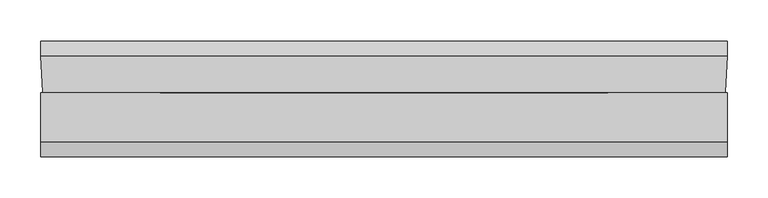
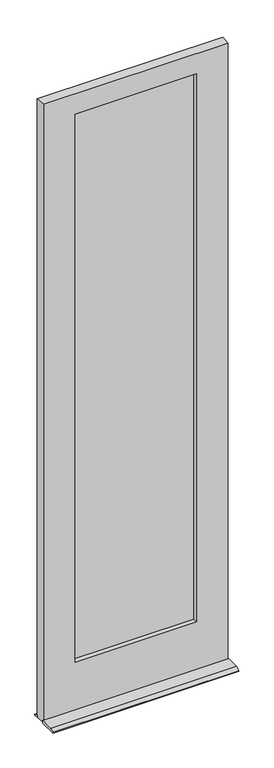
"""IFC4 building model written with IfcOpenShell, lengths in millimetres: plate geometry."""

from ifc_helpers import new_model, si_unit, frame, origin, place, context, project, spatial, polyline, outline, extrude, faceted_brep, source, transform, mapped, element, save


def plate_15e0d0ad(model_context):
    return source(origin(), model_context, "Body", "SolidModel", [
        extrude(outline(polyline([(-290.4940057, -16.3742688), (-290.4940057, -13.1992688), (290.5124637, -13.1992688), (290.5124637, -16.3742688), (-290.4940057, -16.3742688)])), frame((0.0, 0.0, 226.615625), z_axis=(0.0, 0.0, 1.0), x_axis=(1.0, 0.0, 0.0)), (0.0, 0.0, 1.0), 2663.428125),
        extrude(outline(polyline([(-290.4940057, -20.9383312), (290.5124637, -20.9383312), (290.5124637, -24.1133312), (-290.4940057, -24.1133312), (-290.4940057, -20.9383312)])), frame((0.0, 0.0, 226.615625), z_axis=(0.0, 0.0, 1.0), x_axis=(1.0, 0.0, 0.0)), (0.0, 0.0, 1.0), 2663.428125),
        faceted_brep([(423.0687863, -46.037564, 12.7), (423.0687863, -106.3618913, 12.7), (423.0687863, -125.4125, 3.1746956), (423.0687863, -125.4125, 0.0003044), (423.0687863, -46.037564, 0.0003044), (423.0687863, 17.4625, 0.0003044), (423.0687863, 17.4625, 3.1746956), (423.0687863, -1.587564, 12.6997276), (423.0687863, -1.587564, 0.0003044), (-423.0452447, -1.587564, 12.6997276), (-423.0452447, 17.4625, 3.1746956), (-423.0452447, 17.4625, 0.0003044), (-423.0452447, -1.587564, 0.0003044), (-423.0452447, -125.4125, 0.0003044), (-423.0452447, -125.4125, 3.1746956), (-423.0452447, -106.3618913, 12.7), (-423.0452447, -46.037564, 12.7), (-423.0452447, -46.037564, 0.0003044), (290.5124637, -24.1133312, 226.615625), (290.5124637, -13.1992688, 226.615625), (-290.4940057, -13.1992688, 226.615625), (-290.4940057, -24.1133312, 226.615625), (290.5124637, -24.1133313, 2890.04375), (-290.4940057, -24.1133313, 2890.04375), (275.4443125, -24.1133312, 241.2869956), (275.4443125, -24.1133313, 2874.9752), (-275.4185057, -24.1133313, 2874.9752), (-275.4185057, -24.1133312, 241.2869956), (275.4443125, -46.037564, 241.2869956), (-275.4185057, -46.037564, 241.2869956), (420.3001863, -46.037564, 12.7), (420.3001863, -46.037564, 2972.59375), (-420.2766447, -46.037564, 2972.59375), (-420.2766447, -46.037564, 12.7), (275.4443125, -46.037564, 2874.9752), (-275.4185057, -46.037564, 2874.9752), (-420.2766447, -46.037564, 0.0003044), (420.3001863, -46.037564, 0.0003044), (423.0687863, -1.587564, 2972.59375), (-423.0452447, -1.587564, 2972.59375), (270.66875, -1.587564, 246.0621956), (270.66875, -1.587564, 2870.2), (-270.66875, -1.587564, 2870.2), (-270.66875, -1.587564, 246.0621956), (270.66875, -13.1992688, 246.0621956), (-270.66875, -13.1992688, 246.0621956), (290.5124637, -13.1992688, 2890.04375), (-290.4940057, -13.1992688, 2890.04375), (270.66875, -13.1992688, 2870.2), (-270.66875, -13.1992688, 2870.2)], [[[0, 1, 2, 3, 4]], [[5, 6, 7, 8]], [[9, 10, 11, 12]], [[13, 14, 15, 16, 17]], [[18, 19, 20, 21]], [[22, 18, 21, 23], [24, 25, 26, 27]], [[28, 24, 27, 29]], [[30, 31, 32, 33], [34, 28, 29, 35]], [[1, 0, 30, 33, 16, 15]], [[2, 1, 15, 14]], [[3, 2, 14, 13]], [[3, 13, 17, 36, 12, 11, 5, 8, 37, 4]], [[6, 5, 11, 10]], [[7, 6, 10, 9]], [[38, 7, 9, 39], [40, 41, 42, 43]], [[44, 40, 43, 45]], [[19, 46, 47, 20], [48, 44, 45, 49]], [[35, 29, 27, 26]], [[21, 20, 47, 23]], [[49, 45, 43, 42]], [[40, 44, 48, 41]], [[19, 18, 22, 46]], [[24, 28, 34, 25]], [[41, 48, 49, 42]], [[46, 22, 23, 47]], [[25, 34, 35, 26]], [[32, 39, 9, 12, 36, 33]], [[30, 37, 8, 7, 38, 31]], [[31, 38, 39, 32]], [[37, 30, 0, 4]], [[33, 36, 17, 16]]]),
    ])


if __name__ == "__main__":
    model = new_model("IFC4")
    model_context = context("Model", 3, world=origin())
    ifc_project = project(units=[si_unit("LENGTHUNIT", "METRE", prefix="MILLI")], contexts=[model_context])
    site = spatial("IfcSite", under=ifc_project)
    building = spatial("IfcBuilding", under=site)
    placement = place(None, origin())
    plate_shape = plate_15e0d0ad(model_context)
    element("IfcPlate", 1, at=placement, inside=building, context=model_context, shape_type="MappedRepresentation", body=[
        mapped(plate_shape, transform((0.0, 0.0, 0.0), x_axis=(1.0, 0.0, 0.0), y_axis=(0.0, 1.0, 0.0), z_axis=(0.0, 0.0, 1.0))),
    ])
    save(model, "model.ifc")
